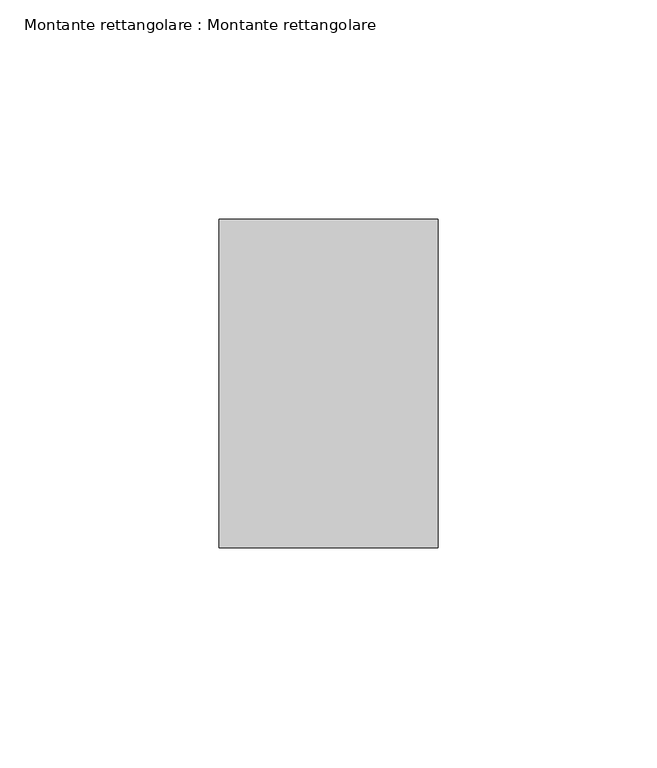
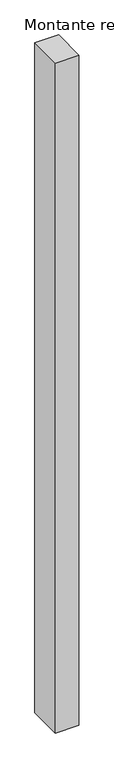
"""IFC4 building model written with IfcOpenShell, lengths in millimetres: member geometry, Montante rettangolare : Montante rettangolare."""

from ifc_helpers import new_model, si_unit, frame, origin, place, context, project, spatial, polyline, outline, extrude, source, transform, mapped, element, save


def montante_rettangolare_montante_rettangolare_822b10ed(model_context):
    return source(origin(), model_context, "Body", "SweptSolid", [
        extrude(outline(polyline([(0.0, 37.5), (0.0, -37.5), (-50.0, -37.5), (-50.0, 37.5), (0.0, 37.5)])), frame((0.0, 0.0, -1500.0), z_axis=(0.0, 0.0, 1.0), x_axis=(1.0, 0.0, 0.0)), (0.0, 0.0, 1.0), 1500.0),
    ])


if __name__ == "__main__":
    model = new_model("IFC4")
    model_context = context("Model", 3, world=origin())
    ifc_project = project(units=[si_unit("LENGTHUNIT", "METRE", prefix="MILLI")], contexts=[model_context])
    site = spatial("IfcSite", under=ifc_project)
    building = spatial("IfcBuilding", under=site)
    placement = place(None, origin())
    montante_rettangolare_montante_rettangolare_shape = montante_rettangolare_montante_rettangolare_822b10ed(model_context)
    element("IfcMember", 1, ObjectType="Montante rettangolare : Montante rettangolare", at=placement, inside=building, context=model_context, shape_type="MappedRepresentation", body=[
        mapped(montante_rettangolare_montante_rettangolare_shape, transform((0.0, 0.0, 0.0), x_axis=(1.0, 0.0, 0.0), y_axis=(0.0, 1.0, 0.0), z_axis=(0.0, 0.0, 1.0))),
    ])
    save(model, "model.ifc")
